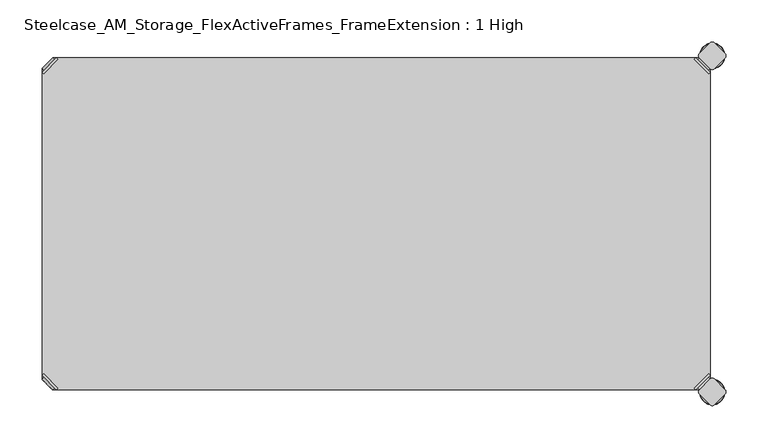
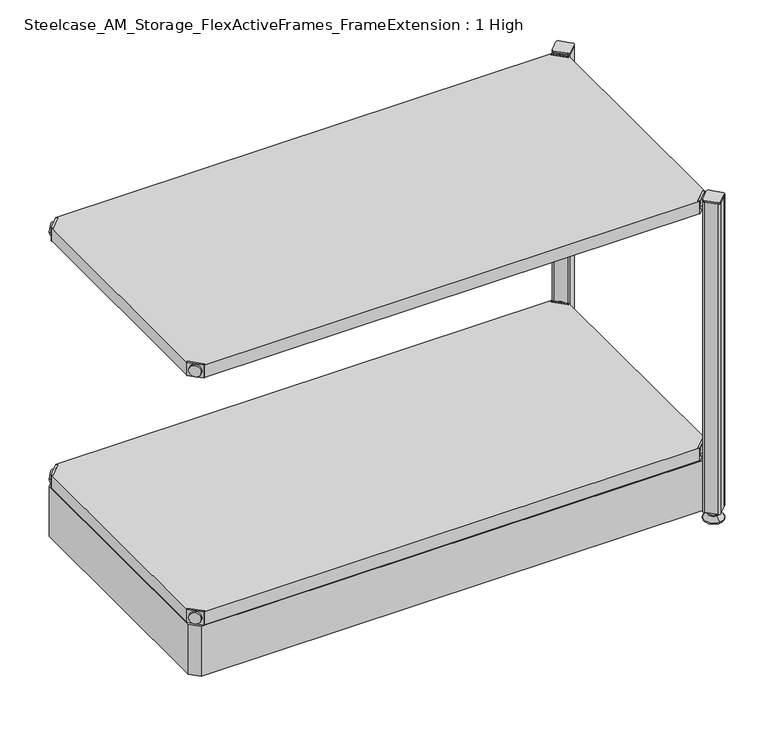
"""IFC4 building model written with IfcOpenShell, lengths in millimetres: furniture geometry, Steelcase_AM_Storage_FlexActiveFrames_FrameExtension : 1 High."""

from ifc_helpers import new_model, si_unit, point, frame, frame_2d, origin, place, context, project, spatial, polyline, circle_curve, ellipse_curve, trimmed, segment, composite_curve, outline, extrude, source, transform, mapped, element, save
from ifc_brep_helpers import plane_surface, cylinder_surface, revolved_surface, advanced_brep


def steelcase_am_storage_flexactiveframes_frameextension_1_high_93be20cb(model_context):
    return source(origin(), model_context, "Body", "SolidModel", [
        advanced_brep(
        [(2.54, -380.2870969, 520.2936), (19.7629031, -397.51, 520.2936), (21.5589544, -395.7139488, 520.2936), (4.3360512, -378.4910456, 520.2936), (2.54, -380.2870969, 498.9576), (19.7629031, -397.51, 498.9576), (4.8652723, -382.6123691, 510.1336), (17.4376309, -395.1847277, 510.1336), (30.2920522, -352.5350447, 499.9736), (4.3360512, -378.4910456, 499.9736), (21.5589544, -395.7139488, 499.9736), (47.5149553, -369.7579478, 499.9736), (30.2920522, -352.5350447, 498.9576), (47.5149553, -369.7579478, 498.9576), (15.1227513, -397.4996073, 510.1336), (2.5503927, -384.9272487, 510.1336)],
        [
            (0, 1),
            (1, 2),
            (2, 3),
            (3, 0),
            (0, 4),
            (4, 5),
            (5, 1),
            (6, 7, circle_curve(frame((11.1514516, -388.8985484, 510.1336), z_axis=(0.7071067811865446, 0.7071067811865505, 0.0), x_axis=(-0.7071067811865505, 0.7071067811865446, 0.0)), 8.89)),
            (7, 6, circle_curve(frame((11.1514516, -388.8985484, 510.1336), z_axis=(0.7071067811865446, 0.7071067811865505, 0.0), x_axis=(-0.7071067811865505, 0.7071067811865446, 0.0)), 8.89)),
            (8, 9),
            (9, 10),
            (10, 11),
            (11, 8, circle_curve(frame((38.9035037, -361.1464963, 499.9736), z_axis=(0.0, 0.0, 1.0), x_axis=(1.0, 0.0, 0.0)), 12.1784316)),
            (12, 13, circle_curve(frame((38.9035037, -361.1464963, 498.9576), z_axis=(0.0, 0.0, -1.0), x_axis=(1.0, 0.0, 0.0)), 12.1784316)),
            (13, 5),
            (4, 12),
            (14, 15, circle_curve(frame((8.836572, -391.213428, 510.1336), z_axis=(-0.7071067811865446, -0.7071067811865505, 0.0), x_axis=(-0.7071067811865505, 0.7071067811865446, 0.0)), 8.89)),
            (15, 14, circle_curve(frame((8.836572, -391.213428, 510.1336), z_axis=(-0.7071067811865446, -0.7071067811865505, 0.0), x_axis=(-0.7071067811865505, 0.7071067811865446, 0.0)), 8.89)),
            (15, 6),
            (7, 14),
            (2, 10),
            (9, 3),
            (11, 13),
            (12, 8),
        ],
        [
            plane_surface(frame((-19.6579872, -402.485084, 520.2936), z_axis=(0.0, 0.0, 1.0000000000000002), x_axis=(0.7071067811865436, 0.7071067811865516, 0.0))),
            plane_surface(frame((19.7629031, -397.51, 520.2936), z_axis=(-0.7071067811865447, -0.7071067811865503, 0.0), x_axis=(0.0, 0.0, -1.0))),
            plane_surface(frame((51.0819353, -361.1464963, 499.9736), z_axis=(0.0, 0.0, 1.0), x_axis=(0.0, -1.0, 0.0))),
            plane_surface(frame((51.0819353, -361.1464963, 498.9576), z_axis=(0.0, 0.0, -1.0), x_axis=(0.0, 1.0, 0.0))),
            plane_surface(frame((2.5503927, -384.9272487, 510.1336), z_axis=(-0.7071067811865446, -0.7071067811865505, 0.0), x_axis=(0.0, 0.0, 1.0))),
            cylinder_surface(frame((11.1514516, -388.8985484, 510.1336), z_axis=(-0.7071067811865446, -0.7071067811865505, 0.0), x_axis=(-0.7071067811865505, 0.7071067811865446, 0.0)), 8.89),
            plane_surface(frame((4.3360512, -378.4910456, 520.2936), z_axis=(0.7071067811865447, 0.7071067811865503, 0.0), x_axis=(0.0, 0.0, -1.0))),
            cylinder_surface(frame((38.9035037, -361.1464963, 498.9576), z_axis=(0.0, 0.0, 1.0), x_axis=(1.0, 0.0, 0.0)), 12.1784316),
            plane_surface(frame((2.54, -380.2870969, 520.2936), z_axis=(-0.7071067811865516, 0.7071067811865436, 0.0), x_axis=(0.0, 0.0, -1.0))),
            plane_surface(frame((21.5589544, -395.7139488, 520.2936), z_axis=(0.7071067811865513, -0.7071067811865437, 0.0), x_axis=(0.0, 0.0, -1.0))),
        ],
        [
            (0, [[1, 2, 3, 4]]),
            (1, [[5, 6, 7, -1], [8, 9]]),
            (2, [[10, 11, 12, 13]]),
            (3, [[14, 15, -6, 16]]),
            (4, [[17, 18]]),
            (5, [[19, -9, 20, -18]]),
            (5, [[-20, -8, -19, -17]]),
            (6, [[21, -11, 22, -3]]),
            (7, [[23, -14, 24, -13]]),
            (8, [[-22, -10, -24, -16, -5, -4]]),
            (9, [[-7, -15, -23, -12, -21, -2]]),
        ],
    ),
        advanced_brep(
        [(797.56, -380.2870969, 520.2936), (795.7639488, -378.4910456, 520.2936), (778.5410456, -395.7139488, 520.2936), (780.3370969, -397.51, 520.2936), (780.3370969, -397.51, 498.9576), (797.56, -380.2870969, 498.9576), (795.2347277, -382.6123691, 510.1336), (782.6623691, -395.1847277, 510.1336), (769.8079478, -352.5350447, 499.9736), (752.5850447, -369.7579478, 499.9736), (778.5410456, -395.7139488, 499.9736), (795.7639488, -378.4910456, 499.9736), (769.8079478, -352.5350447, 498.9576), (752.5850447, -369.7579478, 498.9576), (784.9772487, -397.4996073, 510.1336), (797.5496073, -384.9272487, 510.1336)],
        [
            (0, 1),
            (1, 2),
            (2, 3),
            (3, 0),
            (3, 4),
            (4, 5),
            (5, 0),
            (6, 7, circle_curve(frame((788.9485484, -388.8985484, 510.1336), z_axis=(-0.7071067811865446, 0.7071067811865505, 0.0), x_axis=(0.7071067811865505, 0.7071067811865446, 0.0)), 8.89)),
            (7, 6, circle_curve(frame((788.9485484, -388.8985484, 510.1336), z_axis=(-0.7071067811865446, 0.7071067811865505, 0.0), x_axis=(0.7071067811865505, 0.7071067811865446, 0.0)), 8.89)),
            (8, 9, circle_curve(frame((761.1964963, -361.1464963, 499.9736), z_axis=(0.0, 0.0, 1.0), x_axis=(-1.0, 0.0, 0.0)), 12.1784316)),
            (9, 10),
            (10, 11),
            (11, 8),
            (12, 5),
            (4, 13),
            (13, 12, circle_curve(frame((761.1964963, -361.1464963, 498.9576), z_axis=(0.0, 0.0, -1.0), x_axis=(-1.0, 0.0, 0.0)), 12.1784316)),
            (14, 15, circle_curve(frame((791.263428, -391.213428, 510.1336), z_axis=(0.7071067811865446, -0.7071067811865505, 0.0), x_axis=(0.7071067811865505, 0.7071067811865446, 0.0)), 8.89)),
            (15, 14, circle_curve(frame((791.263428, -391.213428, 510.1336), z_axis=(0.7071067811865446, -0.7071067811865505, 0.0), x_axis=(0.7071067811865505, 0.7071067811865446, 0.0)), 8.89)),
            (14, 7),
            (6, 15),
            (1, 11),
            (10, 2),
            (8, 12),
            (13, 9),
        ],
        [
            plane_surface(frame((819.7579872, -402.485084, 520.2936), z_axis=(0.0, 0.0, 1.0000000000000002), x_axis=(-0.7071067811865436, 0.7071067811865516, 0.0))),
            plane_surface(frame((780.3370969, -397.51, 520.2936), z_axis=(0.7071067811865447, -0.7071067811865503, 0.0), x_axis=(0.0, 0.0, -1.0))),
            plane_surface(frame((749.0180647, -361.1464963, 499.9736), z_axis=(0.0, 0.0, 1.0), x_axis=(0.0, -1.0, 0.0))),
            plane_surface(frame((749.0180647, -361.1464963, 498.9576), z_axis=(0.0, 0.0, -1.0), x_axis=(0.0, 1.0, 0.0))),
            plane_surface(frame((797.5496073, -384.9272487, 510.1336), z_axis=(0.7071067811865446, -0.7071067811865505, 0.0), x_axis=(0.0, 0.0, 1.0))),
            cylinder_surface(frame((788.9485484, -388.8985484, 510.1336), z_axis=(0.7071067811865446, -0.7071067811865505, 0.0), x_axis=(0.7071067811865505, 0.7071067811865446, 0.0)), 8.89),
            plane_surface(frame((795.7639488, -378.4910456, 520.2936), z_axis=(-0.7071067811865447, 0.7071067811865503, 0.0), x_axis=(0.0, 0.0, -1.0))),
            cylinder_surface(frame((761.1964963, -361.1464963, 498.9576), z_axis=(0.0, 0.0, 1.0), x_axis=(-1.0, 0.0, 0.0)), 12.1784316),
            plane_surface(frame((797.56, -380.2870969, 520.2936), z_axis=(0.7071067811865516, 0.7071067811865436, 0.0), x_axis=(0.0, 0.0, -1.0))),
            plane_surface(frame((778.5410456, -395.7139488, 520.2936), z_axis=(-0.7071067811865513, -0.7071067811865437, 0.0), x_axis=(0.0, 0.0, -1.0))),
        ],
        [
            (0, [[1, 2, 3, 4]]),
            (1, [[-4, 5, 6, 7], [8, 9]]),
            (2, [[10, 11, 12, 13]]),
            (3, [[14, -6, 15, 16]]),
            (4, [[17, 18]]),
            (5, [[-17, 19, -8, 20]]),
            (5, [[-18, -20, -9, -19]]),
            (6, [[-2, 21, -12, 22]]),
            (7, [[-10, 23, -16, 24]]),
            (8, [[-1, -7, -14, -23, -13, -21]]),
            (9, [[-3, -22, -11, -24, -15, -5]]),
        ],
    ),
        advanced_brep(
        [(797.56, -19.7629031, 520.2936), (780.3370969, -2.54, 520.2936), (778.5410456, -4.3360512, 520.2936), (795.7639488, -21.5589544, 520.2936), (797.56, -19.7629031, 498.9576), (780.3370969, -2.54, 498.9576), (795.2347277, -17.4376309, 510.1336), (782.6623691, -4.8652723, 510.1336), (769.8079478, -47.5149553, 499.9736), (795.7639488, -21.5589544, 499.9736), (778.5410456, -4.3360512, 499.9736), (752.5850447, -30.2920522, 499.9736), (769.8079478, -47.5149553, 498.9576), (752.5850447, -30.2920522, 498.9576), (784.9772487, -2.5503927, 510.1336), (797.5496073, -15.1227513, 510.1336)],
        [
            (0, 1),
            (1, 2),
            (2, 3),
            (3, 0),
            (0, 4),
            (4, 5),
            (5, 1),
            (6, 7, circle_curve(frame((788.9485484, -11.1514516, 510.1336), z_axis=(-0.7071067811865469, -0.7071067811865481, 0.0), x_axis=(0.7071067811865481, -0.7071067811865469, 0.0)), 8.89)),
            (7, 6, circle_curve(frame((788.9485484, -11.1514516, 510.1336), z_axis=(-0.7071067811865469, -0.7071067811865481, 0.0), x_axis=(0.7071067811865481, -0.7071067811865469, 0.0)), 8.89)),
            (8, 9),
            (9, 10),
            (10, 11),
            (11, 8, circle_curve(frame((761.1964963, -38.9035037, 499.9736), z_axis=(0.0, 0.0, 1.0), x_axis=(-1.0, 0.0, 0.0)), 12.1784316)),
            (12, 13, circle_curve(frame((761.1964963, -38.9035037, 498.9576), z_axis=(0.0, 0.0, -1.0), x_axis=(-1.0, 0.0, 0.0)), 12.1784316)),
            (13, 5),
            (4, 12),
            (14, 15, circle_curve(frame((791.263428, -8.836572, 510.1336), z_axis=(0.7071067811865469, 0.7071067811865481, 0.0), x_axis=(0.7071067811865481, -0.7071067811865469, 0.0)), 8.89)),
            (15, 14, circle_curve(frame((791.263428, -8.836572, 510.1336), z_axis=(0.7071067811865469, 0.7071067811865481, 0.0), x_axis=(0.7071067811865481, -0.7071067811865469, 0.0)), 8.89)),
            (15, 6),
            (7, 14),
            (2, 10),
            (9, 3),
            (11, 13),
            (12, 8),
        ],
        [
            plane_surface(frame((819.7579872, 2.435084, 520.2936), z_axis=(0.0, 0.0, 1.0000000000000002), x_axis=(-0.7071067811865459, -0.7071067811865492, 0.0))),
            plane_surface(frame((780.3370969, -2.54, 520.2936), z_axis=(0.707106781186547, 0.707106781186548, 0.0), x_axis=(0.0, 0.0, -1.0))),
            plane_surface(frame((749.0180647, -38.9035037, 499.9736), z_axis=(0.0, 0.0, 1.0), x_axis=(0.0, 1.0, 0.0))),
            plane_surface(frame((749.0180647, -38.9035037, 498.9576), z_axis=(0.0, 0.0, -1.0), x_axis=(0.0, -1.0, 0.0))),
            plane_surface(frame((797.5496073, -15.1227513, 510.1336), z_axis=(0.7071067811865469, 0.7071067811865481, 0.0), x_axis=(0.0, 0.0, 1.0))),
            cylinder_surface(frame((788.9485484, -11.1514516, 510.1336), z_axis=(0.7071067811865469, 0.7071067811865481, 0.0), x_axis=(0.7071067811865481, -0.7071067811865469, 0.0)), 8.89),
            plane_surface(frame((795.7639488, -21.5589544, 520.2936), z_axis=(-0.707106781186547, -0.707106781186548, 0.0), x_axis=(0.0, 0.0, -1.0))),
            cylinder_surface(frame((761.1964963, -38.9035037, 498.9576), z_axis=(0.0, 0.0, 1.0), x_axis=(-1.0, 0.0, 0.0)), 12.1784316),
            plane_surface(frame((797.56, -19.7629031, 520.2936), z_axis=(0.7071067811865492, -0.7071067811865459, 0.0), x_axis=(0.0, 0.0, -1.0))),
            plane_surface(frame((778.5410456, -4.3360512, 520.2936), z_axis=(-0.707106781186549, 0.707106781186546, 0.0), x_axis=(0.0, 0.0, -1.0))),
        ],
        [
            (0, [[1, 2, 3, 4]]),
            (1, [[5, 6, 7, -1], [8, 9]]),
            (2, [[10, 11, 12, 13]]),
            (3, [[14, 15, -6, 16]]),
            (4, [[17, 18]]),
            (5, [[19, -9, 20, -18]]),
            (5, [[-20, -8, -19, -17]]),
            (6, [[21, -11, 22, -3]]),
            (7, [[23, -14, 24, -13]]),
            (8, [[-22, -10, -24, -16, -5, -4]]),
            (9, [[-7, -15, -23, -12, -21, -2]]),
        ],
    ),
        advanced_brep(
        [(2.54, -19.7629031, 520.2936), (4.3360512, -21.5589544, 520.2936), (21.5589544, -4.3360512, 520.2936), (19.7629031, -2.54, 520.2936), (19.7629031, -2.54, 498.9576), (2.54, -19.7629031, 498.9576), (4.8652723, -17.4376309, 510.1336), (17.4376309, -4.8652723, 510.1336), (30.2920522, -47.5149553, 499.9736), (47.5149553, -30.2920522, 499.9736), (21.5589544, -4.3360512, 499.9736), (4.3360512, -21.5589544, 499.9736), (30.2920522, -47.5149553, 498.9576), (47.5149553, -30.2920522, 498.9576), (15.1227513, -2.5503927, 510.1336), (2.5503927, -15.1227513, 510.1336)],
        [
            (0, 1),
            (1, 2),
            (2, 3),
            (3, 0),
            (3, 4),
            (4, 5),
            (5, 0),
            (6, 7, circle_curve(frame((11.1514516, -11.1514516, 510.1336), z_axis=(0.7071067811865469, -0.7071067811865481, 0.0), x_axis=(-0.7071067811865481, -0.7071067811865469, 0.0)), 8.89)),
            (7, 6, circle_curve(frame((11.1514516, -11.1514516, 510.1336), z_axis=(0.7071067811865469, -0.7071067811865481, 0.0), x_axis=(-0.7071067811865481, -0.7071067811865469, 0.0)), 8.89)),
            (8, 9, circle_curve(frame((38.9035037, -38.9035037, 499.9736), z_axis=(0.0, 0.0, 1.0), x_axis=(1.0, 0.0, 0.0)), 12.1784316)),
            (9, 10),
            (10, 11),
            (11, 8),
            (12, 5),
            (4, 13),
            (13, 12, circle_curve(frame((38.9035037, -38.9035037, 498.9576), z_axis=(0.0, 0.0, -1.0), x_axis=(1.0, 0.0, 0.0)), 12.1784316)),
            (14, 15, circle_curve(frame((8.836572, -8.836572, 510.1336), z_axis=(-0.7071067811865469, 0.7071067811865481, 0.0), x_axis=(-0.7071067811865481, -0.7071067811865469, 0.0)), 8.89)),
            (15, 14, circle_curve(frame((8.836572, -8.836572, 510.1336), z_axis=(-0.7071067811865469, 0.7071067811865481, 0.0), x_axis=(-0.7071067811865481, -0.7071067811865469, 0.0)), 8.89)),
            (14, 7),
            (6, 15),
            (1, 11),
            (10, 2),
            (8, 12),
            (13, 9),
        ],
        [
            plane_surface(frame((-19.6579872, 2.435084, 520.2936), z_axis=(0.0, 0.0, 1.0000000000000002), x_axis=(0.7071067811865459, -0.7071067811865492, 0.0))),
            plane_surface(frame((19.7629031, -2.54, 520.2936), z_axis=(-0.707106781186547, 0.707106781186548, 0.0), x_axis=(0.0, 0.0, -1.0))),
            plane_surface(frame((51.0819353, -38.9035037, 499.9736), z_axis=(0.0, 0.0, 1.0), x_axis=(0.0, 1.0, 0.0))),
            plane_surface(frame((51.0819353, -38.9035037, 498.9576), z_axis=(0.0, 0.0, -1.0), x_axis=(0.0, -1.0, 0.0))),
            plane_surface(frame((2.5503927, -15.1227513, 510.1336), z_axis=(-0.7071067811865469, 0.7071067811865481, 0.0), x_axis=(0.0, 0.0, 1.0))),
            cylinder_surface(frame((11.1514516, -11.1514516, 510.1336), z_axis=(-0.7071067811865469, 0.7071067811865481, 0.0), x_axis=(-0.7071067811865481, -0.7071067811865469, 0.0)), 8.89),
            plane_surface(frame((4.3360512, -21.5589544, 520.2936), z_axis=(0.707106781186547, -0.707106781186548, 0.0), x_axis=(0.0, 0.0, -1.0))),
            cylinder_surface(frame((38.9035037, -38.9035037, 498.9576), z_axis=(0.0, 0.0, 1.0), x_axis=(1.0, 0.0, 0.0)), 12.1784316),
            plane_surface(frame((2.54, -19.7629031, 520.2936), z_axis=(-0.7071067811865492, -0.7071067811865459, 0.0), x_axis=(0.0, 0.0, -1.0))),
            plane_surface(frame((21.5589544, -4.3360512, 520.2936), z_axis=(0.707106781186549, 0.707106781186546, 0.0), x_axis=(0.0, 0.0, -1.0))),
        ],
        [
            (0, [[1, 2, 3, 4]]),
            (1, [[-4, 5, 6, 7], [8, 9]]),
            (2, [[10, 11, 12, 13]]),
            (3, [[14, -6, 15, 16]]),
            (4, [[17, 18]]),
            (5, [[-17, 19, -8, 20]]),
            (5, [[-18, -20, -9, -19]]),
            (6, [[-2, 21, -12, 22]]),
            (7, [[-10, 23, -16, 24]]),
            (8, [[-1, -7, -14, -23, -13, -21]]),
            (9, [[-3, -22, -11, -24, -15, -5]]),
        ],
    ),
        extrude(outline(polyline([(19.7629031, -2.54), (780.3370969, -2.54), (778.5410456, -4.3360512), (795.7639488, -21.5589544), (797.56, -19.7629031), (797.56, -380.2870969), (795.7639488, -378.4910456), (778.5410456, -395.7139488), (780.3370969, -397.51), (19.7629031, -397.51), (21.5589544, -395.7139488), (4.3360512, -378.4910456), (2.54, -380.2870969), (2.54, -19.7629031), (4.3360512, -21.5589544), (21.5589544, -4.3360512), (19.7629031, -2.54)])), frame((0.0, 0.0, 499.9736), z_axis=(0.0, 0.0, 1.0), x_axis=(1.0, 0.0, 0.0)), (0.0, 0.0, 1.0), 20.32),
        advanced_brep(
        [(2.54, -380.2870969, 118.9736), (19.7629031, -397.51, 118.9736), (21.5589544, -395.7139488, 118.9736), (4.3360512, -378.4910456, 118.9736), (2.54, -380.2870969, 97.6376), (19.7629031, -397.51, 97.6376), (4.8652723, -382.6123691, 108.8136), (17.4376309, -395.1847277, 108.8136), (30.2920522, -352.5350447, 98.6536), (4.3360512, -378.4910456, 98.6536), (21.5589544, -395.7139488, 98.6536), (47.5149553, -369.7579478, 98.6536), (30.2920522, -352.5350447, 97.6376), (47.5149553, -369.7579478, 97.6376), (15.1227513, -397.4996073, 108.8136), (2.5503927, -384.9272487, 108.8136)],
        [
            (0, 1),
            (1, 2),
            (2, 3),
            (3, 0),
            (0, 4),
            (4, 5),
            (5, 1),
            (6, 7, circle_curve(frame((11.1514516, -388.8985484, 108.8136), z_axis=(0.7071067811865446, 0.7071067811865505, 0.0), x_axis=(-0.7071067811865505, 0.7071067811865446, 0.0)), 8.89)),
            (7, 6, circle_curve(frame((11.1514516, -388.8985484, 108.8136), z_axis=(0.7071067811865446, 0.7071067811865505, 0.0), x_axis=(-0.7071067811865505, 0.7071067811865446, 0.0)), 8.89)),
            (8, 9),
            (9, 10),
            (10, 11),
            (11, 8, circle_curve(frame((38.9035037, -361.1464963, 98.6536), z_axis=(0.0, 0.0, 1.0), x_axis=(1.0, 0.0, 0.0)), 12.1784316)),
            (12, 13, circle_curve(frame((38.9035037, -361.1464963, 97.6376), z_axis=(0.0, 0.0, -1.0), x_axis=(1.0, 0.0, 0.0)), 12.1784316)),
            (13, 5),
            (4, 12),
            (14, 15, circle_curve(frame((8.836572, -391.213428, 108.8136), z_axis=(-0.7071067811865446, -0.7071067811865505, 0.0), x_axis=(-0.7071067811865505, 0.7071067811865446, 0.0)), 8.89)),
            (15, 14, circle_curve(frame((8.836572, -391.213428, 108.8136), z_axis=(-0.7071067811865446, -0.7071067811865505, 0.0), x_axis=(-0.7071067811865505, 0.7071067811865446, 0.0)), 8.89)),
            (15, 6),
            (7, 14),
            (2, 10),
            (9, 3),
            (11, 13),
            (12, 8),
        ],
        [
            plane_surface(frame((-19.6579872, -402.485084, 118.9736), z_axis=(0.0, 0.0, 1.0000000000000002), x_axis=(0.7071067811865436, 0.7071067811865516, 0.0))),
            plane_surface(frame((19.7629031, -397.51, 118.9736), z_axis=(-0.7071067811865447, -0.7071067811865503, 0.0), x_axis=(0.0, 0.0, -1.0))),
            plane_surface(frame((51.0819353, -361.1464963, 98.6536), z_axis=(0.0, 0.0, 1.0), x_axis=(0.0, -1.0, 0.0))),
            plane_surface(frame((51.0819353, -361.1464963, 97.6376), z_axis=(0.0, 0.0, -1.0), x_axis=(0.0, 1.0, 0.0))),
            plane_surface(frame((2.5503927, -384.9272487, 108.8136), z_axis=(-0.7071067811865446, -0.7071067811865505, 0.0), x_axis=(0.0, 0.0, 1.0))),
            cylinder_surface(frame((11.1514516, -388.8985484, 108.8136), z_axis=(-0.7071067811865446, -0.7071067811865505, 0.0), x_axis=(-0.7071067811865505, 0.7071067811865446, 0.0)), 8.89),
            plane_surface(frame((4.3360512, -378.4910456, 118.9736), z_axis=(0.7071067811865447, 0.7071067811865503, 0.0), x_axis=(0.0, 0.0, -1.0))),
            cylinder_surface(frame((38.9035037, -361.1464963, 97.6376), z_axis=(0.0, 0.0, 1.0), x_axis=(1.0, 0.0, 0.0)), 12.1784316),
            plane_surface(frame((2.54, -380.2870969, 118.9736), z_axis=(-0.7071067811865516, 0.7071067811865436, 0.0), x_axis=(0.0, 0.0, -1.0))),
            plane_surface(frame((21.5589544, -395.7139488, 118.9736), z_axis=(0.7071067811865513, -0.7071067811865437, 0.0), x_axis=(0.0, 0.0, -1.0))),
        ],
        [
            (0, [[1, 2, 3, 4]]),
            (1, [[5, 6, 7, -1], [8, 9]]),
            (2, [[10, 11, 12, 13]]),
            (3, [[14, 15, -6, 16]]),
            (4, [[17, 18]]),
            (5, [[19, -9, 20, -18]]),
            (5, [[-20, -8, -19, -17]]),
            (6, [[21, -11, 22, -3]]),
            (7, [[23, -14, 24, -13]]),
            (8, [[-22, -10, -24, -16, -5, -4]]),
            (9, [[-7, -15, -23, -12, -21, -2]]),
        ],
    ),
        advanced_brep(
        [(797.56, -380.2870969, 118.9736), (795.7639488, -378.4910456, 118.9736), (778.5410456, -395.7139488, 118.9736), (780.3370969, -397.51, 118.9736), (780.3370969, -397.51, 97.6376), (797.56, -380.2870969, 97.6376), (795.2347277, -382.6123691, 108.8136), (782.6623691, -395.1847277, 108.8136), (769.8079478, -352.5350447, 98.6536), (752.5850447, -369.7579478, 98.6536), (778.5410456, -395.7139488, 98.6536), (795.7639488, -378.4910456, 98.6536), (769.8079478, -352.5350447, 97.6376), (752.5850447, -369.7579478, 97.6376), (784.9772487, -397.4996073, 108.8136), (797.5496073, -384.9272487, 108.8136)],
        [
            (0, 1),
            (1, 2),
            (2, 3),
            (3, 0),
            (3, 4),
            (4, 5),
            (5, 0),
            (6, 7, circle_curve(frame((788.9485484, -388.8985484, 108.8136), z_axis=(-0.7071067811865446, 0.7071067811865505, 0.0), x_axis=(0.7071067811865505, 0.7071067811865446, 0.0)), 8.89)),
            (7, 6, circle_curve(frame((788.9485484, -388.8985484, 108.8136), z_axis=(-0.7071067811865446, 0.7071067811865505, 0.0), x_axis=(0.7071067811865505, 0.7071067811865446, 0.0)), 8.89)),
            (8, 9, circle_curve(frame((761.1964963, -361.1464963, 98.6536), z_axis=(0.0, 0.0, 1.0), x_axis=(-1.0, 0.0, 0.0)), 12.1784316)),
            (9, 10),
            (10, 11),
            (11, 8),
            (12, 5),
            (4, 13),
            (13, 12, circle_curve(frame((761.1964963, -361.1464963, 97.6376), z_axis=(0.0, 0.0, -1.0), x_axis=(-1.0, 0.0, 0.0)), 12.1784316)),
            (14, 15, circle_curve(frame((791.263428, -391.213428, 108.8136), z_axis=(0.7071067811865446, -0.7071067811865505, 0.0), x_axis=(0.7071067811865505, 0.7071067811865446, 0.0)), 8.89)),
            (15, 14, circle_curve(frame((791.263428, -391.213428, 108.8136), z_axis=(0.7071067811865446, -0.7071067811865505, 0.0), x_axis=(0.7071067811865505, 0.7071067811865446, 0.0)), 8.89)),
            (14, 7),
            (6, 15),
            (1, 11),
            (10, 2),
            (8, 12),
            (13, 9),
        ],
        [
            plane_surface(frame((819.7579872, -402.485084, 118.9736), z_axis=(0.0, 0.0, 1.0000000000000002), x_axis=(-0.7071067811865436, 0.7071067811865516, 0.0))),
            plane_surface(frame((780.3370969, -397.51, 118.9736), z_axis=(0.7071067811865447, -0.7071067811865503, 0.0), x_axis=(0.0, 0.0, -1.0))),
            plane_surface(frame((749.0180647, -361.1464963, 98.6536), z_axis=(0.0, 0.0, 1.0), x_axis=(0.0, -1.0, 0.0))),
            plane_surface(frame((749.0180647, -361.1464963, 97.6376), z_axis=(0.0, 0.0, -1.0), x_axis=(0.0, 1.0, 0.0))),
            plane_surface(frame((797.5496073, -384.9272487, 108.8136), z_axis=(0.7071067811865446, -0.7071067811865505, 0.0), x_axis=(0.0, 0.0, 1.0))),
            cylinder_surface(frame((788.9485484, -388.8985484, 108.8136), z_axis=(0.7071067811865446, -0.7071067811865505, 0.0), x_axis=(0.7071067811865505, 0.7071067811865446, 0.0)), 8.89),
            plane_surface(frame((795.7639488, -378.4910456, 118.9736), z_axis=(-0.7071067811865447, 0.7071067811865503, 0.0), x_axis=(0.0, 0.0, -1.0))),
            cylinder_surface(frame((761.1964963, -361.1464963, 97.6376), z_axis=(0.0, 0.0, 1.0), x_axis=(-1.0, 0.0, 0.0)), 12.1784316),
            plane_surface(frame((797.56, -380.2870969, 118.9736), z_axis=(0.7071067811865516, 0.7071067811865436, 0.0), x_axis=(0.0, 0.0, -1.0))),
            plane_surface(frame((778.5410456, -395.7139488, 118.9736), z_axis=(-0.7071067811865513, -0.7071067811865437, 0.0), x_axis=(0.0, 0.0, -1.0))),
        ],
        [
            (0, [[1, 2, 3, 4]]),
            (1, [[-4, 5, 6, 7], [8, 9]]),
            (2, [[10, 11, 12, 13]]),
            (3, [[14, -6, 15, 16]]),
            (4, [[17, 18]]),
            (5, [[-17, 19, -8, 20]]),
            (5, [[-18, -20, -9, -19]]),
            (6, [[-2, 21, -12, 22]]),
            (7, [[-10, 23, -16, 24]]),
            (8, [[-1, -7, -14, -23, -13, -21]]),
            (9, [[-3, -22, -11, -24, -15, -5]]),
        ],
    ),
        advanced_brep(
        [(797.56, -19.7629031, 118.9736), (780.3370969, -2.54, 118.9736), (778.5410456, -4.3360512, 118.9736), (795.7639488, -21.5589544, 118.9736), (797.56, -19.7629031, 97.6376), (780.3370969, -2.54, 97.6376), (795.2347277, -17.4376309, 108.8136), (782.6623691, -4.8652723, 108.8136), (769.8079478, -47.5149553, 98.6536), (795.7639488, -21.5589544, 98.6536), (778.5410456, -4.3360512, 98.6536), (752.5850447, -30.2920522, 98.6536), (769.8079478, -47.5149553, 97.6376), (752.5850447, -30.2920522, 97.6376), (784.9772487, -2.5503927, 108.8136), (797.5496073, -15.1227513, 108.8136)],
        [
            (0, 1),
            (1, 2),
            (2, 3),
            (3, 0),
            (0, 4),
            (4, 5),
            (5, 1),
            (6, 7, circle_curve(frame((788.9485484, -11.1514516, 108.8136), z_axis=(-0.7071067811865469, -0.7071067811865481, 0.0), x_axis=(0.7071067811865481, -0.7071067811865469, 0.0)), 8.89)),
            (7, 6, circle_curve(frame((788.9485484, -11.1514516, 108.8136), z_axis=(-0.7071067811865469, -0.7071067811865481, 0.0), x_axis=(0.7071067811865481, -0.7071067811865469, 0.0)), 8.89)),
            (8, 9),
            (9, 10),
            (10, 11),
            (11, 8, circle_curve(frame((761.1964963, -38.9035037, 98.6536), z_axis=(0.0, 0.0, 1.0), x_axis=(-1.0, 0.0, 0.0)), 12.1784316)),
            (12, 13, circle_curve(frame((761.1964963, -38.9035037, 97.6376), z_axis=(0.0, 0.0, -1.0), x_axis=(-1.0, 0.0, 0.0)), 12.1784316)),
            (13, 5),
            (4, 12),
            (14, 15, circle_curve(frame((791.263428, -8.836572, 108.8136), z_axis=(0.7071067811865469, 0.7071067811865481, 0.0), x_axis=(0.7071067811865481, -0.7071067811865469, 0.0)), 8.89)),
            (15, 14, circle_curve(frame((791.263428, -8.836572, 108.8136), z_axis=(0.7071067811865469, 0.7071067811865481, 0.0), x_axis=(0.7071067811865481, -0.7071067811865469, 0.0)), 8.89)),
            (15, 6),
            (7, 14),
            (2, 10),
            (9, 3),
            (11, 13),
            (12, 8),
        ],
        [
            plane_surface(frame((819.7579872, 2.435084, 118.9736), z_axis=(0.0, 0.0, 1.0000000000000002), x_axis=(-0.7071067811865459, -0.7071067811865492, 0.0))),
            plane_surface(frame((780.3370969, -2.54, 118.9736), z_axis=(0.707106781186547, 0.707106781186548, 0.0), x_axis=(0.0, 0.0, -1.0))),
            plane_surface(frame((749.0180647, -38.9035037, 98.6536), z_axis=(0.0, 0.0, 1.0), x_axis=(0.0, 1.0, 0.0))),
            plane_surface(frame((749.0180647, -38.9035037, 97.6376), z_axis=(0.0, 0.0, -1.0), x_axis=(0.0, -1.0, 0.0))),
            plane_surface(frame((797.5496073, -15.1227513, 108.8136), z_axis=(0.7071067811865469, 0.7071067811865481, 0.0), x_axis=(0.0, 0.0, 1.0))),
            cylinder_surface(frame((788.9485484, -11.1514516, 108.8136), z_axis=(0.7071067811865469, 0.7071067811865481, 0.0), x_axis=(0.7071067811865481, -0.7071067811865469, 0.0)), 8.89),
            plane_surface(frame((795.7639488, -21.5589544, 118.9736), z_axis=(-0.707106781186547, -0.707106781186548, 0.0), x_axis=(0.0, 0.0, -1.0))),
            cylinder_surface(frame((761.1964963, -38.9035037, 97.6376), z_axis=(0.0, 0.0, 1.0), x_axis=(-1.0, 0.0, 0.0)), 12.1784316),
            plane_surface(frame((797.56, -19.7629031, 118.9736), z_axis=(0.7071067811865492, -0.7071067811865459, 0.0), x_axis=(0.0, 0.0, -1.0))),
            plane_surface(frame((778.5410456, -4.3360512, 118.9736), z_axis=(-0.707106781186549, 0.707106781186546, 0.0), x_axis=(0.0, 0.0, -1.0))),
        ],
        [
            (0, [[1, 2, 3, 4]]),
            (1, [[5, 6, 7, -1], [8, 9]]),
            (2, [[10, 11, 12, 13]]),
            (3, [[14, 15, -6, 16]]),
            (4, [[17, 18]]),
            (5, [[19, -9, 20, -18]]),
            (5, [[-20, -8, -19, -17]]),
            (6, [[21, -11, 22, -3]]),
            (7, [[23, -14, 24, -13]]),
            (8, [[-22, -10, -24, -16, -5, -4]]),
            (9, [[-7, -15, -23, -12, -21, -2]]),
        ],
    ),
        advanced_brep(
        [(2.54, -19.7629031, 118.9736), (4.3360512, -21.5589544, 118.9736), (21.5589544, -4.3360512, 118.9736), (19.7629031, -2.54, 118.9736), (19.7629031, -2.54, 97.6376), (2.54, -19.7629031, 97.6376), (4.8652723, -17.4376309, 108.8136), (17.4376309, -4.8652723, 108.8136), (30.2920522, -47.5149553, 98.6536), (47.5149553, -30.2920522, 98.6536), (21.5589544, -4.3360512, 98.6536), (4.3360512, -21.5589544, 98.6536), (30.2920522, -47.5149553, 97.6376), (47.5149553, -30.2920522, 97.6376), (15.1227513, -2.5503927, 108.8136), (2.5503927, -15.1227513, 108.8136)],
        [
            (0, 1),
            (1, 2),
            (2, 3),
            (3, 0),
            (3, 4),
            (4, 5),
            (5, 0),
            (6, 7, circle_curve(frame((11.1514516, -11.1514516, 108.8136), z_axis=(0.7071067811865469, -0.7071067811865481, 0.0), x_axis=(-0.7071067811865481, -0.7071067811865469, 0.0)), 8.89)),
            (7, 6, circle_curve(frame((11.1514516, -11.1514516, 108.8136), z_axis=(0.7071067811865469, -0.7071067811865481, 0.0), x_axis=(-0.7071067811865481, -0.7071067811865469, 0.0)), 8.89)),
            (8, 9, circle_curve(frame((38.9035037, -38.9035037, 98.6536), z_axis=(0.0, 0.0, 1.0), x_axis=(1.0, 0.0, 0.0)), 12.1784316)),
            (9, 10),
            (10, 11),
            (11, 8),
            (12, 5),
            (4, 13),
            (13, 12, circle_curve(frame((38.9035037, -38.9035037, 97.6376), z_axis=(0.0, 0.0, -1.0), x_axis=(1.0, 0.0, 0.0)), 12.1784316)),
            (14, 15, circle_curve(frame((8.836572, -8.836572, 108.8136), z_axis=(-0.7071067811865469, 0.7071067811865481, 0.0), x_axis=(-0.7071067811865481, -0.7071067811865469, 0.0)), 8.89)),
            (15, 14, circle_curve(frame((8.836572, -8.836572, 108.8136), z_axis=(-0.7071067811865469, 0.7071067811865481, 0.0), x_axis=(-0.7071067811865481, -0.7071067811865469, 0.0)), 8.89)),
            (14, 7),
            (6, 15),
            (1, 11),
            (10, 2),
            (8, 12),
            (13, 9),
        ],
        [
            plane_surface(frame((-19.6579872, 2.435084, 118.9736), z_axis=(0.0, 0.0, 1.0000000000000002), x_axis=(0.7071067811865459, -0.7071067811865492, 0.0))),
            plane_surface(frame((19.7629031, -2.54, 118.9736), z_axis=(-0.707106781186547, 0.707106781186548, 0.0), x_axis=(0.0, 0.0, -1.0))),
            plane_surface(frame((51.0819353, -38.9035037, 98.6536), z_axis=(0.0, 0.0, 1.0), x_axis=(0.0, 1.0, 0.0))),
            plane_surface(frame((51.0819353, -38.9035037, 97.6376), z_axis=(0.0, 0.0, -1.0), x_axis=(0.0, -1.0, 0.0))),
            plane_surface(frame((2.5503927, -15.1227513, 108.8136), z_axis=(-0.7071067811865469, 0.7071067811865481, 0.0), x_axis=(0.0, 0.0, 1.0))),
            cylinder_surface(frame((11.1514516, -11.1514516, 108.8136), z_axis=(-0.7071067811865469, 0.7071067811865481, 0.0), x_axis=(-0.7071067811865481, -0.7071067811865469, 0.0)), 8.89),
            plane_surface(frame((4.3360512, -21.5589544, 118.9736), z_axis=(0.707106781186547, -0.707106781186548, 0.0), x_axis=(0.0, 0.0, -1.0))),
            cylinder_surface(frame((38.9035037, -38.9035037, 97.6376), z_axis=(0.0, 0.0, 1.0), x_axis=(1.0, 0.0, 0.0)), 12.1784316),
            plane_surface(frame((2.54, -19.7629031, 118.9736), z_axis=(-0.7071067811865492, -0.7071067811865459, 0.0), x_axis=(0.0, 0.0, -1.0))),
            plane_surface(frame((21.5589544, -4.3360512, 118.9736), z_axis=(0.707106781186549, 0.707106781186546, 0.0), x_axis=(0.0, 0.0, -1.0))),
        ],
        [
            (0, [[1, 2, 3, 4]]),
            (1, [[-4, 5, 6, 7], [8, 9]]),
            (2, [[10, 11, 12, 13]]),
            (3, [[14, -6, 15, 16]]),
            (4, [[17, 18]]),
            (5, [[-17, 19, -8, 20]]),
            (5, [[-18, -20, -9, -19]]),
            (6, [[-2, 21, -12, 22]]),
            (7, [[-10, 23, -16, 24]]),
            (8, [[-1, -7, -14, -23, -13, -21]]),
            (9, [[-3, -22, -11, -24, -15, -5]]),
        ],
    ),
        extrude(outline(polyline([(19.7629031, -2.54), (780.3370969, -2.54), (778.5410456, -4.3360512), (795.7639488, -21.5589544), (797.56, -19.7629031), (797.56, -380.2870969), (795.7639488, -378.4910456), (778.5410456, -395.7139488), (780.3370969, -397.51), (19.7629031, -397.51), (21.5589544, -395.7139488), (4.3360512, -378.4910456), (2.54, -380.2870969), (2.54, -19.7629031), (4.3360512, -21.5589544), (21.5589544, -4.3360512), (19.7629031, -2.54)])), frame((0.0, 0.0, 98.6536), z_axis=(0.0, 0.0, 1.0), x_axis=(1.0, 0.0, 0.0)), (0.0, 0.0, 1.0), 20.32),
        extrude(outline(composite_curve([segment(trimmed(circle_curve(frame_2d((800.1, -13.1875415)), 3.175), [point((802.345064, -15.4326055))], [point((797.854936, -15.4326055))], False, "CARTESIAN"), True, "CONTINUOUS"), segment(polyline([(797.854936, -15.4326055), (784.6673945, -2.245064)]), True, "CONTINUOUS"), segment(trimmed(circle_curve(frame_2d((786.9124585, 0.0)), 3.175), [point((784.6673945, -2.245064))], [point((784.6673945, 2.245064))], False, "CARTESIAN"), True, "CONTINUOUS"), segment(polyline([(784.6673945, 2.245064), (797.854936, 15.4326055)]), True, "CONTINUOUS"), segment(trimmed(circle_curve(frame_2d((800.1, 13.1875415)), 3.175), [point((797.854936, 15.4326055))], [point((802.345064, 15.4326055))], False, "CARTESIAN"), True, "CONTINUOUS"), segment(polyline([(802.345064, 15.4326055), (815.5326055, 2.245064)]), True, "CONTINUOUS"), segment(trimmed(circle_curve(frame_2d((813.2875415, 0.0)), 3.175), [point((815.5326055, 2.245064))], [point((815.5326055, -2.245064))], False, "CARTESIAN"), True, "CONTINUOUS"), segment(polyline([(815.5326055, -2.245064), (802.345064, -15.4326055)]), True, "CONTINUOUS")], self_intersect=False)), frame((0.0, 0.0, 520.2936), z_axis=(0.0, 0.0, 1.0), x_axis=(1.0, 0.0, 0.0)), (0.0, 0.0, 1.0), 2.032),
        extrude(outline(composite_curve([segment(polyline([(802.345064, -384.6173945), (815.5326055, -397.804936)]), True, "CONTINUOUS"), segment(trimmed(circle_curve(frame_2d((813.2875415, -400.05)), 3.175), [point((815.5326055, -397.804936))], [point((815.5326055, -402.295064))], False, "CARTESIAN"), True, "CONTINUOUS"), segment(polyline([(815.5326055, -402.295064), (802.345064, -415.4826055)]), True, "CONTINUOUS"), segment(trimmed(circle_curve(frame_2d((800.1, -413.2375415)), 3.175), [point((802.345064, -415.4826055))], [point((797.854936, -415.4826055))], False, "CARTESIAN"), True, "CONTINUOUS"), segment(polyline([(797.854936, -415.4826055), (784.6673945, -402.295064)]), True, "CONTINUOUS"), segment(trimmed(circle_curve(frame_2d((786.9124585, -400.05)), 3.175), [point((784.6673945, -402.295064))], [point((784.6673945, -397.804936))], False, "CARTESIAN"), True, "CONTINUOUS"), segment(polyline([(784.6673945, -397.804936), (797.854936, -384.6173945)]), True, "CONTINUOUS"), segment(trimmed(circle_curve(frame_2d((800.1, -386.8624585)), 3.175), [point((797.854936, -384.6173945))], [point((802.345064, -384.6173945))], False, "CARTESIAN"), True, "CONTINUOUS")], self_intersect=False)), frame((0.0, 0.0, 520.2936), z_axis=(0.0, 0.0, 1.0), x_axis=(1.0, 0.0, 0.0)), (0.0, 0.0, 1.0), 2.032),
        extrude(outline(polyline([(2.54, -384.9123305), (2.54, -15.1376695), (15.1376695, -2.54), (784.9623305, -2.54), (797.56, -15.1376695), (797.56, -384.9123305), (784.9623305, -397.51), (15.1376695, -397.51), (2.54, -384.9123305)]), holes=[polyline([(12.7, -15.748), (12.7, -387.35), (787.4, -387.35), (787.4, -15.748), (12.7, -15.748)])]), frame((0.0, 0.0, 15.9766), z_axis=(0.0, 0.0, 1.0), x_axis=(1.0, 0.0, 0.0)), (0.0, 0.0, 1.0), 81.28),
        advanced_brep(
        [(800.1, 3.999659, 15.9766), (800.1, -3.999659, 15.9766), (800.1, 0.0, 15.9766), (800.1, 3.999659, 12.6000054), (800.1, -3.999659, 12.6000054), (800.1, 5.8601455, 12.6000054), (800.1, -5.8601455, 12.6000054), (800.1, 6.4951462, 11.9650074), (800.1, -6.4951462, 11.9650074), (800.1, 6.4951462, 9.0000124), (800.1, -6.4951462, 9.0000124), (800.1, 8.7421976, 9.0000124), (800.1, -8.7421976, 9.0000124), (800.1, 14.7060077, 2.3275608), (800.1, -14.7060077, 2.3275608), (800.1, 13.664601, 0.0), (800.1, -13.664601, 0.0), (800.1, 0.0, 0.0)],
        [
            (0, 1, circle_curve(frame((800.1, 0.0, 15.9766), z_axis=(0.0, 0.0, 1.0), x_axis=(0.0, -1.0, 0.0)), 3.999659)),
            (1, 2),
            (2, 0),
            (1, 0, circle_curve(frame((800.1, 0.0, 15.9766), z_axis=(0.0, 0.0, 1.0), x_axis=(0.0, -1.0, 0.0)), 3.999659)),
            (3, 4, circle_curve(frame((800.1, 0.0, 12.6000054), z_axis=(0.0, 0.0, 1.0), x_axis=(0.0, -1.0, 0.0)), 3.999659)),
            (4, 1),
            (0, 3),
            (4, 3, circle_curve(frame((800.1, 0.0, 12.6000054), z_axis=(0.0, 0.0, 1.0), x_axis=(0.0, -1.0, 0.0)), 3.999659)),
            (5, 6, circle_curve(frame((800.1, 0.0, 12.6000054), z_axis=(0.0, 0.0, 1.0), x_axis=(0.0, -1.0, 0.0)), 5.8601455)),
            (6, 4),
            (3, 5),
            (6, 5, circle_curve(frame((800.1, 0.0, 12.6000054), z_axis=(0.0, 0.0, 1.0), x_axis=(0.0, -1.0, 0.0)), 5.8601455)),
            (7, 8, circle_curve(frame((800.1, 0.0, 11.9650074), z_axis=(0.0, 0.0, 1.0), x_axis=(0.0, -1.0, 0.0)), 6.4951462)),
            (8, 6, circle_curve(frame((800.1, -5.8601462, 11.9650074), z_axis=(-1.0, 0.0, 0.0), x_axis=(0.0, -1.0, 0.0)), 0.635)),
            (5, 7, circle_curve(frame((800.1, 5.8601462, 11.9650074), z_axis=(-1.0, 0.0, 0.0), x_axis=(0.0, 1.0, 0.0)), 0.635)),
            (8, 7, circle_curve(frame((800.1, 0.0, 11.9650074), z_axis=(0.0, 0.0, 1.0), x_axis=(0.0, -1.0, 0.0)), 6.4951462)),
            (9, 10, circle_curve(frame((800.1, 0.0, 9.0000124), z_axis=(0.0, 0.0, 1.0), x_axis=(0.0, -1.0, 0.0)), 6.4951462)),
            (10, 8),
            (7, 9),
            (10, 9, circle_curve(frame((800.1, 0.0, 9.0000124), z_axis=(0.0, 0.0, 1.0), x_axis=(0.0, -1.0, 0.0)), 6.4951462)),
            (11, 12, circle_curve(frame((800.1, 0.0, 9.0000124), z_axis=(0.0, 0.0, 1.0), x_axis=(0.0, -1.0, 0.0)), 8.7421976)),
            (12, 10),
            (9, 11),
            (12, 11, circle_curve(frame((800.1, 0.0, 9.0000124), z_axis=(0.0, 0.0, 1.0), x_axis=(0.0, -1.0, 0.0)), 8.7421976)),
            (13, 14, circle_curve(frame((800.1, 0.0, 2.3275608), z_axis=(0.0, 0.0, 1.0), x_axis=(0.0, -1.0, 0.0)), 14.7060077)),
            (14, 12),
            (11, 13),
            (14, 13, circle_curve(frame((800.1, 0.0, 2.3275608), z_axis=(0.0, 0.0, 1.0), x_axis=(0.0, -1.0, 0.0)), 14.7060077)),
            (15, 16, circle_curve(frame((800.1, 0.0, 0.0), z_axis=(0.0, 0.0, 1.0), x_axis=(0.0, -1.0, 0.0)), 13.664601)),
            (16, 14, circle_curve(frame((800.1, -13.664601, 1.3967556), z_axis=(-1.0, 0.0, 0.0), x_axis=(0.0, -1.0, 0.0)), 1.3967556)),
            (13, 15, circle_curve(frame((800.1, 13.664601, 1.3967556), z_axis=(-1.0, 0.0, 0.0), x_axis=(0.0, 1.0, 0.0)), 1.3967556)),
            (16, 15, circle_curve(frame((800.1, 0.0, 0.0), z_axis=(0.0, 0.0, 1.0), x_axis=(0.0, -1.0, 0.0)), 13.664601)),
            (17, 16),
            (15, 17),
        ],
        [
            plane_surface(frame((800.1, 0.0, 15.9766), z_axis=(0.0, 0.0, 1.0), x_axis=(0.0, -1.0, 0.0))),
            cylinder_surface(frame((800.1, 0.0, -4.132372), z_axis=(0.0, 0.0, -1.0), x_axis=(0.0, -1.0, 0.0)), 3.999659),
            plane_surface(frame((800.1, 0.0, 12.6000054), z_axis=(0.0, 0.0, 1.0), x_axis=(0.0, -1.0, 0.0))),
            revolved_surface(trimmed(ellipse_curve(frame((800.1, -5.8601462, 11.9650074), z_axis=(1.0, 0.0, 0.0), x_axis=(0.0, -1.0, 0.0)), 0.635, 0.635), [point((800.1, -5.8601455, 12.6000074))], [point((800.1, -6.4951462, 11.9650074))], True, "CARTESIAN"), (800.1, 0.0, -4.132372), (0.0, 0.0, -1.0)),
            cylinder_surface(frame((800.1, 0.0, -4.132372), z_axis=(0.0, 0.0, -1.0), x_axis=(0.0, -1.0, 0.0)), 6.4951462),
            plane_surface(frame((800.1, 0.0, 9.0000124), z_axis=(0.0, 0.0, 1.0), x_axis=(0.0, -1.0, 0.0))),
            revolved_surface(polyline([(800.1, -8.7421976, 9.0000124), (800.1, -14.7060077, 2.3275608)]), (800.1, 0.0, -4.132372), (0.0, 0.0, -1.0)),
            revolved_surface(trimmed(ellipse_curve(frame((800.1, -13.664601, 1.3967556), z_axis=(1.0, 0.0, 0.0), x_axis=(0.0, -1.0, 0.0)), 1.3967556, 1.3967556), [point((800.1, -14.7060077, 2.3275608))], [point((800.1, -13.664601, 0.0))], True, "CARTESIAN"), (800.1, 0.0, -4.132372), (0.0, 0.0, -1.0)),
            plane_surface(frame((800.1, 0.0, 0.0), z_axis=(0.0, 0.0, -1.0), x_axis=(0.0, -1.0, 0.0))),
        ],
        [
            (0, [[1, 2, 3]]),
            (0, [[4, -3, -2]]),
            (1, [[5, 6, -1, 7]]),
            (1, [[8, -7, -4, -6]]),
            (2, [[9, 10, -5, 11]]),
            (2, [[12, -11, -8, -10]]),
            (3, [[13, 14, -9, 15]]),
            (3, [[16, -15, -12, -14]]),
            (4, [[17, 18, -13, 19]]),
            (4, [[20, -19, -16, -18]]),
            (5, [[21, 22, -17, 23]]),
            (5, [[24, -23, -20, -22]]),
            (6, [[25, 26, -21, 27]]),
            (6, [[28, -27, -24, -26]]),
            (7, [[29, 30, -25, 31]]),
            (7, [[32, -31, -28, -30]]),
            (8, [[33, -29, 34]]),
            (8, [[-34, -32, -33]]),
        ],
    ),
        advanced_brep(
        [(800.1, -400.05, 15.9766), (800.1, -396.050341, 15.9766), (800.1, -404.049659, 15.9766), (800.1, -396.050341, 12.6000054), (800.1, -404.049659, 12.6000054), (800.1, -394.1898545, 12.6000074), (800.1, -405.9101455, 12.6000074), (800.1, -393.5548538, 11.9650074), (800.1, -406.5451462, 11.9650074), (800.1, -393.5548538, 9.0000124), (800.1, -406.5451462, 9.0000124), (800.1, -391.3078024, 9.0000124), (800.1, -408.7921976, 9.0000124), (800.1, -385.3439923, 2.3275608), (800.1, -414.7560077, 2.3275608), (800.1, -386.385399, 0.0), (800.1, -413.714601, 0.0), (800.1, -400.05, 0.0)],
        [
            (0, 1),
            (1, 2, circle_curve(frame((800.1, -400.05, 15.9766), z_axis=(0.0, 0.0, 1.0), x_axis=(0.0, 1.0, 0.0)), 3.999659)),
            (2, 0),
            (2, 1, circle_curve(frame((800.1, -400.05, 15.9766), z_axis=(0.0, 0.0, 1.0), x_axis=(0.0, 1.0, 0.0)), 3.999659)),
            (1, 3),
            (3, 4, circle_curve(frame((800.1, -400.05, 12.6000054), z_axis=(0.0, 0.0, 1.0), x_axis=(0.0, 1.0, 0.0)), 3.999659)),
            (4, 2),
            (4, 3, circle_curve(frame((800.1, -400.05, 12.6000054), z_axis=(0.0, 0.0, 1.0), x_axis=(0.0, 1.0, 0.0)), 3.999659)),
            (3, 5),
            (5, 6, circle_curve(frame((800.1, -400.05, 12.6000074), z_axis=(0.0, 0.0, 1.0), x_axis=(0.0, 1.0, 0.0)), 5.8601455)),
            (6, 4),
            (6, 5, circle_curve(frame((800.1, -400.05, 12.6000074), z_axis=(0.0, 0.0, 1.0), x_axis=(0.0, 1.0, 0.0)), 5.8601455)),
            (5, 7, circle_curve(frame((800.1, -394.1898538, 11.9650074), z_axis=(-1.0, 0.0, 0.0), x_axis=(0.0, 1.0, 0.0)), 0.635)),
            (7, 8, circle_curve(frame((800.1, -400.05, 11.9650074), z_axis=(0.0, 0.0, 1.0), x_axis=(0.0, 1.0, 0.0)), 6.4951462)),
            (8, 6, circle_curve(frame((800.1, -405.9101462, 11.9650074), z_axis=(-1.0, 0.0, 0.0), x_axis=(0.0, -1.0, 0.0)), 0.635)),
            (8, 7, circle_curve(frame((800.1, -400.05, 11.9650074), z_axis=(0.0, 0.0, 1.0), x_axis=(0.0, 1.0, 0.0)), 6.4951462)),
            (7, 9),
            (9, 10, circle_curve(frame((800.1, -400.05, 9.0000124), z_axis=(0.0, 0.0, 1.0), x_axis=(0.0, 1.0, 0.0)), 6.4951462)),
            (10, 8),
            (10, 9, circle_curve(frame((800.1, -400.05, 9.0000124), z_axis=(0.0, 0.0, 1.0), x_axis=(0.0, 1.0, 0.0)), 6.4951462)),
            (9, 11),
            (11, 12, circle_curve(frame((800.1, -400.05, 9.0000124), z_axis=(0.0, 0.0, 1.0), x_axis=(0.0, 1.0, 0.0)), 8.7421976)),
            (12, 10),
            (12, 11, circle_curve(frame((800.1, -400.05, 9.0000124), z_axis=(0.0, 0.0, 1.0), x_axis=(0.0, 1.0, 0.0)), 8.7421976)),
            (11, 13),
            (13, 14, circle_curve(frame((800.1, -400.05, 2.3275608), z_axis=(0.0, 0.0, 1.0), x_axis=(0.0, 1.0, 0.0)), 14.7060077)),
            (14, 12),
            (14, 13, circle_curve(frame((800.1, -400.05, 2.3275608), z_axis=(0.0, 0.0, 1.0), x_axis=(0.0, 1.0, 0.0)), 14.7060077)),
            (13, 15, circle_curve(frame((800.1, -386.385399, 1.3967556), z_axis=(-1.0, 0.0, 0.0), x_axis=(0.0, 1.0, 0.0)), 1.3967556)),
            (15, 16, circle_curve(frame((800.1, -400.05, 0.0), z_axis=(0.0, 0.0, 1.0), x_axis=(0.0, 1.0, 0.0)), 13.664601)),
            (16, 14, circle_curve(frame((800.1, -413.714601, 1.3967556), z_axis=(-1.0, 0.0, 0.0), x_axis=(0.0, -1.0, 0.0)), 1.3967556)),
            (16, 15, circle_curve(frame((800.1, -400.05, 0.0), z_axis=(0.0, 0.0, 1.0), x_axis=(0.0, 1.0, 0.0)), 13.664601)),
            (15, 17),
            (17, 16),
        ],
        [
            plane_surface(frame((800.1, -400.05, 15.9766), z_axis=(0.0, 0.0, 1.0), x_axis=(0.0, 1.0, 0.0))),
            cylinder_surface(frame((800.1, -400.05, -4.132372), z_axis=(0.0, 0.0, 1.0), x_axis=(0.0, 1.0, 0.0)), 3.999659),
            plane_surface(frame((800.1, -400.05, 12.6000074), z_axis=(0.0, 0.0, 1.0), x_axis=(0.0, 1.0, 0.0))),
            revolved_surface(trimmed(ellipse_curve(frame((800.1, -394.1898538, 11.9650074), z_axis=(1.0, 0.0, 0.0), x_axis=(0.0, 1.0, 0.0)), 0.635, 0.635), [point((800.1, -393.5548538, 11.9650074))], [point((800.1, -394.1898545, 12.6000074))], True, "CARTESIAN"), (800.1, -400.05, -4.132372), (0.0, 0.0, 1.0)),
            cylinder_surface(frame((800.1, -400.05, -4.132372), z_axis=(0.0, 0.0, 1.0), x_axis=(0.0, 1.0, 0.0)), 6.4951462),
            plane_surface(frame((800.1, -400.05, 9.0000124), z_axis=(0.0, 0.0, 1.0), x_axis=(0.0, 1.0, 0.0))),
            revolved_surface(polyline([(800.1, -385.3439923, 2.3275608), (800.1, -391.3078024, 9.0000124)]), (800.1, -400.05, -4.132372), (0.0, 0.0, 1.0)),
            revolved_surface(trimmed(ellipse_curve(frame((800.1, -386.385399, 1.3967556), z_axis=(1.0, 0.0, 0.0), x_axis=(0.0, 1.0, 0.0)), 1.3967556, 1.3967556), [point((800.1, -386.385399, 0.0))], [point((800.1, -385.3439923, 2.3275608))], True, "CARTESIAN"), (800.1, -400.05, -4.132372), (0.0, 0.0, 1.0)),
            plane_surface(frame((800.1, -400.05, 0.0), z_axis=(0.0, 0.0, -1.0), x_axis=(0.0, 1.0, 0.0))),
        ],
        [
            (0, [[1, 2, 3]]),
            (0, [[-3, 4, -1]]),
            (1, [[-2, 5, 6, 7]]),
            (1, [[-4, -7, 8, -5]]),
            (2, [[-6, 9, 10, 11]]),
            (2, [[-8, -11, 12, -9]]),
            (3, [[-10, 13, 14, 15]]),
            (3, [[-12, -15, 16, -13]]),
            (4, [[-14, 17, 18, 19]]),
            (4, [[-16, -19, 20, -17]]),
            (5, [[-18, 21, 22, 23]]),
            (5, [[-20, -23, 24, -21]]),
            (6, [[-22, 25, 26, 27]]),
            (6, [[-24, -27, 28, -25]]),
            (7, [[-26, 29, 30, 31]]),
            (7, [[-28, -31, 32, -29]]),
            (8, [[-30, 33, 34]]),
            (8, [[-32, -34, -33]]),
        ],
    ),
        extrude(outline(composite_curve([segment(trimmed(circle_curve(frame_2d((800.1, -13.1875415)), 3.175), [point((802.345064, -15.4326055))], [point((797.854936, -15.4326055))], False, "CARTESIAN"), True, "CONTINUOUS"), segment(polyline([(797.854936, -15.4326055), (784.6673945, -2.245064)]), True, "CONTINUOUS"), segment(trimmed(circle_curve(frame_2d((786.9124585, 0.0)), 3.175), [point((784.6673945, -2.245064))], [point((784.6673945, 2.245064))], False, "CARTESIAN"), True, "CONTINUOUS"), segment(polyline([(784.6673945, 2.245064), (797.854936, 15.4326055)]), True, "CONTINUOUS"), segment(trimmed(circle_curve(frame_2d((800.1, 13.1875415)), 3.175), [point((797.854936, 15.4326055))], [point((802.345064, 15.4326055))], False, "CARTESIAN"), True, "CONTINUOUS"), segment(polyline([(802.345064, 15.4326055), (815.5326055, 2.245064)]), True, "CONTINUOUS"), segment(trimmed(circle_curve(frame_2d((813.2875415, 0.0)), 3.175), [point((815.5326055, 2.245064))], [point((815.5326055, -2.245064))], False, "CARTESIAN"), True, "CONTINUOUS"), segment(polyline([(815.5326055, -2.245064), (802.345064, -15.4326055)]), True, "CONTINUOUS")], self_intersect=False)), frame((0.0, 0.0, 15.9766), z_axis=(0.0, 0.0, 1.0), x_axis=(1.0, 0.0, 0.0)), (0.0, 0.0, 1.0), 504.317),
        extrude(outline(composite_curve([segment(polyline([(802.345064, -384.6173945), (815.5326055, -397.804936)]), True, "CONTINUOUS"), segment(trimmed(circle_curve(frame_2d((813.2875415, -400.05)), 3.175), [point((815.5326055, -397.804936))], [point((815.5326055, -402.295064))], False, "CARTESIAN"), True, "CONTINUOUS"), segment(polyline([(815.5326055, -402.295064), (802.345064, -415.4826055)]), True, "CONTINUOUS"), segment(trimmed(circle_curve(frame_2d((800.1, -413.2375415)), 3.175), [point((802.345064, -415.4826055))], [point((797.854936, -415.4826055))], False, "CARTESIAN"), True, "CONTINUOUS"), segment(polyline([(797.854936, -415.4826055), (784.6673945, -402.295064)]), True, "CONTINUOUS"), segment(trimmed(circle_curve(frame_2d((786.9124585, -400.05)), 3.175), [point((784.6673945, -402.295064))], [point((784.6673945, -397.804936))], False, "CARTESIAN"), True, "CONTINUOUS"), segment(polyline([(784.6673945, -397.804936), (797.854936, -384.6173945)]), True, "CONTINUOUS"), segment(trimmed(circle_curve(frame_2d((800.1, -386.8624585)), 3.175), [point((797.854936, -384.6173945))], [point((802.345064, -384.6173945))], False, "CARTESIAN"), True, "CONTINUOUS")], self_intersect=False)), frame((0.0, 0.0, 15.9766), z_axis=(0.0, 0.0, 1.0), x_axis=(1.0, 0.0, 0.0)), (0.0, 0.0, 1.0), 504.317),
    ])


if __name__ == "__main__":
    model = new_model("IFC4")
    model_context = context("Model", 3, world=origin())
    ifc_project = project(units=[si_unit("LENGTHUNIT", "METRE", prefix="MILLI")], contexts=[model_context])
    site = spatial("IfcSite", under=ifc_project)
    building = spatial("IfcBuilding", under=site)
    placement = place(None, origin())
    steelcase_am_storage_flexactiveframes_frameextension_1_high_shape = steelcase_am_storage_flexactiveframes_frameextension_1_high_93be20cb(model_context)
    element("IfcFurniture", 1, ObjectType="Steelcase_AM_Storage_FlexActiveFrames_FrameExtension : 1 High", at=placement, inside=building, context=model_context, shape_type="MappedRepresentation", body=[
        mapped(steelcase_am_storage_flexactiveframes_frameextension_1_high_shape, transform((0.0, 0.0, 0.0), x_axis=(1.0, 0.0, 0.0), y_axis=(0.0, 1.0, 0.0), z_axis=(0.0, 0.0, 1.0))),
    ])
    save(model, "model.ifc")
